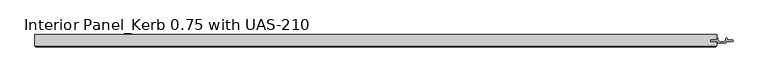
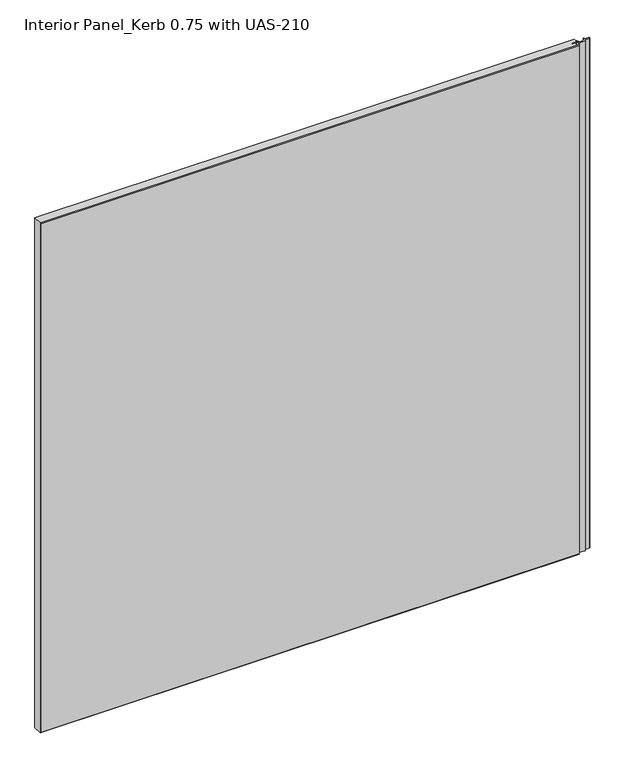
"""IFC4 building model written with IfcOpenShell, lengths in millimetres: proxy geometry, Interior Panel_Kerb 0.75 with UAS-210."""

from ifc_helpers import new_model, si_unit, point, frame_2d, origin, origin_with_axes, place, context, project, spatial, polyline, circle_curve, trimmed, segment, composite_curve, outline, extrude, faceted_brep, source, transform, mapped, element, save


def interior_panel_kerb_0_75_with_uas_210_e34e85a0(model_context):
    return source(origin(), model_context, "Body", "SolidModel", [
        extrude(outline(composite_curve([segment(trimmed(circle_curve(frame_2d((246.85625, -3.1162079)), 0.79375), [point((246.0625, -3.1162079))], [point((247.65, -3.1162079))], False, "CARTESIAN"), True, "CONTINUOUS"), segment(polyline([(247.65, -3.1162079), (247.65, -5.2832), (256.3749, -5.2832)]), True, "CONTINUOUS"), segment(trimmed(circle_curve(frame_2d((256.045929, -6.35)), 1.116371), [point((256.3749, -5.2832))], [point((256.3749, -7.4168))], False, "CARTESIAN"), True, "CONTINUOUS"), segment(polyline([(256.3749, -7.4168), (246.0625, -7.4168), (246.0625, -9.5395647)]), True, "CONTINUOUS"), segment(trimmed(circle_curve(frame_2d((245.4577795, -9.5395647)), 0.6047205), [point((246.0625, -9.5395647))], [point((245.4577795, -10.1442852))], False, "CARTESIAN"), True, "CONTINUOUS"), segment(polyline([(245.4577795, -10.1442852), (233.9672205, -10.1442852)]), True, "CONTINUOUS"), segment(trimmed(circle_curve(frame_2d((233.9672205, -9.5395647)), 0.6047205), [point((233.9672205, -10.1442852))], [point((233.3625, -9.5395647))], False, "CARTESIAN"), True, "CONTINUOUS"), segment(polyline([(233.3625, -9.5395647), (233.3625, -7.4168), (223.0501, -7.4168)]), True, "CONTINUOUS"), segment(trimmed(circle_curve(frame_2d((223.379071, -6.35)), 1.116371), [point((223.0501, -7.4168))], [point((223.0501, -5.2832))], False, "CARTESIAN"), True, "CONTINUOUS"), segment(polyline([(223.0501, -5.2832), (231.775, -5.2832), (231.775, -3.1162079)]), True, "CONTINUOUS"), segment(trimmed(circle_curve(frame_2d((232.56875, -3.1162079)), 0.79375), [point((231.775, -3.1162079))], [point((233.3625, -3.1162079))], False, "CARTESIAN"), True, "CONTINUOUS"), segment(polyline([(233.3625, -3.1162079), (233.3625, -4.4361677)]), True, "CONTINUOUS"), segment(trimmed(circle_curve(frame_2d((239.7125, -1.6037025)), 6.9530827), [point((233.3625, -4.4361677))], [point((246.0625, -4.4361677))], True, "CARTESIAN"), True, "CONTINUOUS"), segment(polyline([(246.0625, -4.4361677), (246.0625, -3.1162079)]), True, "CONTINUOUS")], self_intersect=False)), origin_with_axes(), (0.0, 0.0, 1.0), 1063.625),
        faceted_brep([(231.775, 3.175, 1063.625), (-832.64375, 3.175, 1063.625), (-832.64375, -14.2875, 1063.625), (231.775, -14.2875, 1063.625), (231.775, -7.4168, 1063.625), (221.9523438, -7.4168, 1063.625), (221.9523438, -5.2832, 1063.625), (231.775, -5.2832, 1063.625), (231.775, 3.175, 0.0), (231.775, -5.2832, 0.0), (221.9523438, -5.2832, 0.0), (221.9523438, -7.4168, 0.0), (231.775, -7.4168, 0.0), (231.775, -14.2875, 0.0), (-832.64375, -14.2875, 0.0), (-832.64375, 3.175, 0.0), (-831.05625, -15.875, 1062.0375), (-831.05625, -15.875, 1.5875), (230.1875, -15.875, 1.5875), (230.1875, -15.875, 1062.0375)], [[[0, 1, 2, 3, 4, 5, 6, 7]], [[8, 9, 10, 11, 12, 13, 14, 15]], [[1, 0, 8, 15]], [[2, 1, 15, 14]], [[16, 17, 18, 19]], [[4, 3, 13, 12]], [[2, 14, 17, 16]], [[13, 3, 19, 18]], [[3, 2, 16, 19]], [[14, 13, 18, 17]], [[5, 4, 12, 11]], [[6, 5, 11, 10]], [[7, 6, 10, 9]], [[0, 7, 9, 8]]]),
    ])


if __name__ == "__main__":
    model = new_model("IFC4")
    model_context = context("Model", 3, world=origin())
    ifc_project = project(units=[si_unit("LENGTHUNIT", "METRE", prefix="MILLI")], contexts=[model_context])
    site = spatial("IfcSite", under=ifc_project)
    building = spatial("IfcBuilding", under=site)
    placement = place(None, origin())
    interior_panel_kerb_0_75_with_uas_210_shape = interior_panel_kerb_0_75_with_uas_210_e34e85a0(model_context)
    element("IfcBuildingElementProxy", 1, Name="Interior Panel_Kerb 0.75 with UAS-210", ObjectType="Interior Panel_Kerb 0.75 with UAS-210", at=placement, inside=building, context=model_context, shape_type="MappedRepresentation", body=[
        mapped(interior_panel_kerb_0_75_with_uas_210_shape, transform((0.0, 0.0, 0.0), x_axis=(1.0, 0.0, 0.0), y_axis=(0.0, 1.0, 0.0), z_axis=(0.0, 0.0, 1.0))),
    ])
    save(model, "model.ifc")
